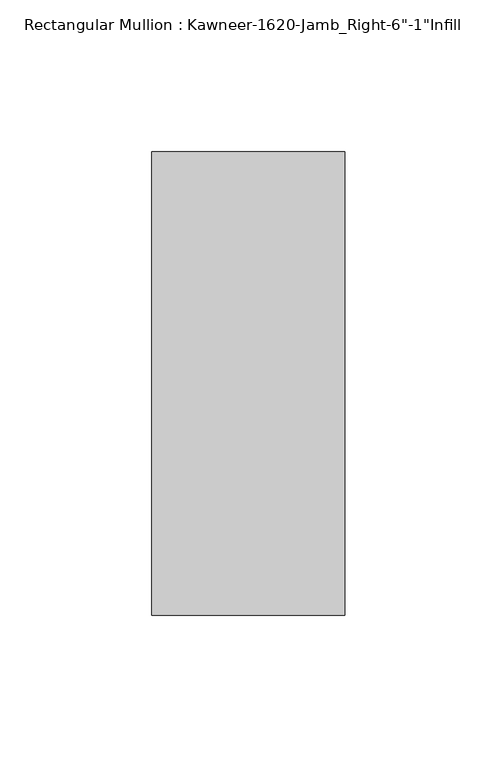
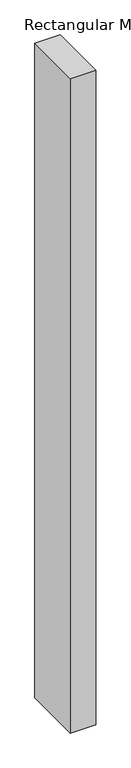
"""IFC4 building model written with IfcOpenShell, lengths in millimetres: member geometry."""

import ifcopenshell
import ifcopenshell.guid

model = None  # the IFC model being written
_history = None  # IfcOwnerHistory: only IFC2X3 demands one
_inside = {}  # id of a spatial element -> (the spatial element, [elements in it])
_under = {}  # id of a project, library or spatial element -> (it, [spatial elements below it])
_declared = {}  # id of a project -> (the project, [libraries it declares])
_typed = {}  # id of a type object -> (the type object, [elements of that type])
_made_of = {}  # id of a material, layer set ... -> (it, [elements and type objects made of it])


def new_model(schema):
    """Start an empty IFC model of exactly this schema.

    Asked for "IFC4X3", IfcOpenShell would pick the latest addendum, in which some entities
    have other attributes; the version numbers below select the first issue.
    IFC2X3 requires an IfcOwnerHistory on every rooted entity: one is made here for all.
    """
    global model, _history
    if schema == "IFC4X3":
        model = ifcopenshell.file(schema_version=(4, 3, 0, 0))
    else:
        model = ifcopenshell.file(schema=schema)
    _inside.clear()
    _under.clear()
    _declared.clear()
    _typed.clear()
    _made_of.clear()
    _history = None
    if model.schema == "IFC2X3":
        org = make("IfcOrganization", Name="unknown")
        user = make(
            "IfcPersonAndOrganization",
            ThePerson=make("IfcPerson", FamilyName="unknown"),
            TheOrganization=org,
        )
        app = make(
            "IfcApplication",
            ApplicationDeveloper=org,
            Version="unknown",
            ApplicationFullName="unknown",
            ApplicationIdentifier="unknown",
        )
        _history = make(
            "IfcOwnerHistory",
            OwningUser=user,
            OwningApplication=app,
            ChangeAction="ADDED",
            CreationDate=0,
        )
    return model


def make(cls, **values):
    """One entity of the class cls with the attributes given. An attribute that is None is left unset."""
    return model.create_entity(
        cls, **{name: value for name, value in values.items() if value is not None}
    )


def rooted(cls, **values):
    """An entity with a GlobalId (a new one), such as an element, a storey or a relation."""
    return make(cls, GlobalId=ifcopenshell.guid.new(), OwnerHistory=_history, **values)


def si_unit(unit_type, name, prefix=None):
    """IfcSIUnit, for example si_unit("LENGTHUNIT", "METRE", prefix="MILLI")."""
    return make("IfcSIUnit", UnitType=unit_type, Prefix=prefix, Name=name)


def assignment(units):
    """IfcUnitAssignment: the units of a project."""
    return None if units is None else make("IfcUnitAssignment", Units=units)


def point(xyz):
    """IfcCartesianPoint."""
    return None if xyz is None else make("IfcCartesianPoint", Coordinates=xyz)


def direction(xyz):
    """IfcDirection."""
    return None if xyz is None else make("IfcDirection", DirectionRatios=xyz)


def frame(location, z_axis=None, x_axis=None):
    """IfcAxis2Placement3D, a coordinate frame: its origin and axes. An axis left out is left unset."""
    return make(
        "IfcAxis2Placement3D",
        Location=point(location),
        Axis=direction(z_axis),
        RefDirection=direction(x_axis),
    )


def origin():
    """The frame at (0, 0, 0) with its axes left unset."""
    return frame((0.0, 0.0, 0.0))


def place(relative_to, where):
    """IfcLocalPlacement: puts the frame where relative to a parent placement (None: the world)."""
    return make(
        "IfcLocalPlacement", PlacementRelTo=relative_to, RelativePlacement=where
    )


def context(
    kind, dimensions, precision=None, world=None, true_north=None, identifier=None
):
    """IfcGeometricRepresentationContext, for example the 3D "Model" context."""
    return make(
        "IfcGeometricRepresentationContext",
        ContextIdentifier=identifier,
        ContextType=kind,
        CoordinateSpaceDimension=dimensions,
        Precision=precision,
        WorldCoordinateSystem=world,
        TrueNorth=true_north,
    )


def project(units=None, contexts=None):
    """IfcProject with its units and contexts."""
    return rooted(
        "IfcProject",
        Name="project",
        RepresentationContexts=contexts,
        UnitsInContext=assignment(units),
    )


def spatial(cls, under=None, at=None, **own):
    """A site, building, storey or space (cls), placed at a placement, below another one or the project."""
    s = rooted(cls, ObjectPlacement=at, **own)
    if under is not None:
        _under.setdefault(under.id(), (under, []))[1].append(s)
    return s


def polyline(points):
    """IfcPolyline through the points."""
    return make("IfcPolyline", Points=[point(p) for p in points])


def outline(outer, holes=None, kind="AREA"):
    """IfcArbitraryClosedProfileDef: a profile drawn as a closed curve; with holes, ...WithVoids."""
    if holes is None:
        return make("IfcArbitraryClosedProfileDef", ProfileType=kind, OuterCurve=outer)
    return make(
        "IfcArbitraryProfileDefWithVoids",
        ProfileType=kind,
        OuterCurve=outer,
        InnerCurves=holes,
    )


def extrude(swept, where, along, depth):
    """IfcExtrudedAreaSolid: the profile swept, set in the frame where, extruded along a direction by depth."""
    return make(
        "IfcExtrudedAreaSolid",
        SweptArea=swept,
        Position=where,
        ExtrudedDirection=direction(along),
        Depth=depth,
    )


def shape(context_of_items, identifier, shape_type, items):
    """IfcShapeRepresentation: the items that make up one representation, for example the "Body"."""
    return make(
        "IfcShapeRepresentation",
        ContextOfItems=context_of_items,
        RepresentationIdentifier=identifier,
        RepresentationType=shape_type,
        Items=items,
    )


def source(mapping_origin, context_of_items, identifier, shape_type, items):
    """IfcRepresentationMap: a shape defined once, which mapped items show again and again."""
    return make(
        "IfcRepresentationMap",
        MappingOrigin=mapping_origin,
        MappedRepresentation=shape(context_of_items, identifier, shape_type, items),
    )


def transform(
    local_origin,
    x_axis=None,
    y_axis=None,
    z_axis=None,
    scale=None,
    scale2=None,
    scale3=None,
    uniform=True,
):
    """IfcCartesianTransformationOperator3D, or its non-uniform kind. x_axis, y_axis, z_axis: its Axis1, 2, 3."""
    if uniform:
        return make(
            "IfcCartesianTransformationOperator3D",
            Axis1=direction(x_axis),
            Axis2=direction(y_axis),
            LocalOrigin=point(local_origin),
            Scale=scale,
            Axis3=direction(z_axis),
        )
    return make(
        "IfcCartesianTransformationOperator3DnonUniform",
        Axis1=direction(x_axis),
        Axis2=direction(y_axis),
        LocalOrigin=point(local_origin),
        Scale=scale,
        Axis3=direction(z_axis),
        Scale2=scale2,
        Scale3=scale3,
    )


def mapped(mapping_source, mapping_target):
    """IfcMappedItem: shows the shape of a source again, moved by a transform."""
    return make(
        "IfcMappedItem", MappingSource=mapping_source, MappingTarget=mapping_target
    )


def made_of(thing, what):
    """Note that an element or type object is made of a material, layer set ...; save() writes the relation."""
    if what is not None:
        _made_of.setdefault(what.id(), (what, []))[1].append(thing)
    return thing


def element(
    cls,
    number,
    at=None,
    inside=None,
    cuts=None,
    type_object=None,
    material=None,
    context=None,
    identifier="Body",
    shape_type=None,
    held_by="IfcProductDefinitionShape",
    body=None,
    shapes=None,
    **own,
):
    """One element of the class cls, such as IfcWall. Its Tag is "e" and its number.

    at: its placement. inside: the storey or other place that contains it. cuts: it is an
    opening in that element (IfcRelVoidsElement). A single representation is given by context,
    identifier, shape_type and body (its items); several are given by shapes. held_by: the class
    of the entity that holds the representations. save() writes the other relations.
    """
    e = rooted(cls, Tag="e%d" % number, ObjectPlacement=at, **own)
    if body is not None:
        shapes = [shape(context, identifier, shape_type, body)]
    if shapes is not None:
        e.Representation = make(held_by, Representations=shapes)
    if inside is not None:
        _inside.setdefault(inside.id(), (inside, []))[1].append(e)
    if cuts is not None:
        rooted(
            "IfcRelVoidsElement", RelatingBuildingElement=cuts, RelatedOpeningElement=e
        )
    if type_object is not None:
        _typed.setdefault(type_object.id(), (type_object, []))[1].append(e)
    return made_of(e, material)


def aggregate(whole, parts):
    """IfcRelAggregates: a whole, such as a stair, and the parts it consists of."""
    return rooted("IfcRelAggregates", RelatingObject=whole, RelatedObjects=parts)


def save(model, path):
    """Write the relations noted so far, then the file.

    IfcRelAggregates (storeys below a building ...), IfcRelContainedInSpatialStructure (elements
    in a storey), IfcRelDefinesByType, IfcRelAssociatesMaterial and IfcRelDeclares: one each for
    every whole, place, type object, material and project.
    """
    for whole, parts in _under.values():
        aggregate(whole, parts)
    for where, things in _inside.values():
        rooted(
            "IfcRelContainedInSpatialStructure",
            RelatedElements=things,
            RelatingStructure=where,
        )
    for kind, things in _typed.values():
        rooted("IfcRelDefinesByType", RelatedObjects=things, RelatingType=kind)
    for what, things in _made_of.values():
        rooted("IfcRelAssociatesMaterial", RelatedObjects=things, RelatingMaterial=what)
    for by, libraries in _declared.values():
        rooted("IfcRelDeclares", RelatingContext=by, RelatedDefinitions=libraries)
    model.write(path)


def member_155c36db(model_context):
    return source(origin(), model_context, "Body", "SweptSolid", [
        extrude(outline(polyline([(-63.5, 38.1), (0.0, 38.1), (0.0, -114.3), (-63.5, -114.3), (-63.5, 38.1)])), frame((0.0, 0.0, -1720.85), z_axis=(0.0, 0.0, 1.0), x_axis=(1.0, 0.0, 0.0)), (0.0, 0.0, 1.0), 1720.85),
    ])


if __name__ == "__main__":
    model = new_model("IFC4")
    model_context = context("Model", 3, world=origin())
    ifc_project = project(units=[si_unit("LENGTHUNIT", "METRE", prefix="MILLI")], contexts=[model_context])
    site = spatial("IfcSite", under=ifc_project)
    building = spatial("IfcBuilding", under=site)
    placement = place(None, origin())
    member_shape = member_155c36db(model_context)
    element("IfcMember", 1, ObjectType="Rectangular Mullion : Kawneer-1620-Jamb_Right-6\"-1\"Infill", at=placement, inside=building, context=model_context, shape_type="MappedRepresentation", body=[
        mapped(member_shape, transform((0.0, 0.0, 0.0), x_axis=(1.0, 0.0, 0.0), y_axis=(0.0, 1.0, 0.0), z_axis=(0.0, 0.0, 1.0))),
    ])
    save(model, "model.ifc")
